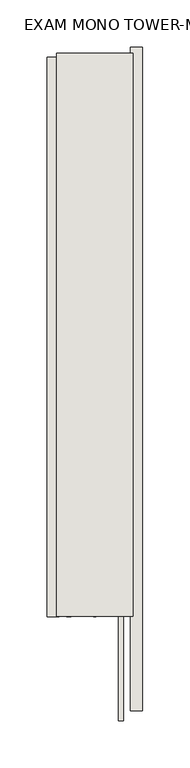
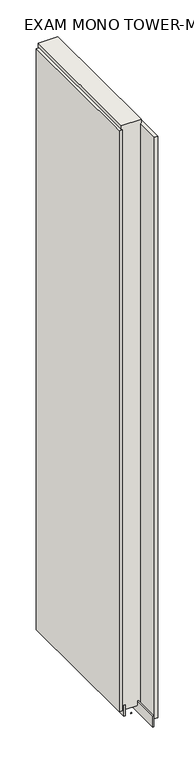
"""IFC4 building model written with IfcOpenShell, lengths in millimetres: wall geometry, EXAM MONO TOWER-MONO ACCENT 574484 : EXAM MONO TOWER-MONO ACCENT 574484."""

from ifc_helpers import new_model, si_unit, frame, origin, place, context, project, spatial, polyline, outline, extrude, source, transform, mapped, element, save


def exam_mono_tower_mono_accent_574484_exam_mono_tower_mono_0b31c38e(model_context):
    return source(origin(), model_context, "Body", "SweptSolid", [
        extrude(outline(polyline([(44096.3701002, -42548.2667702), (44096.3701002, -42545.7267702), (44098.9101002, -42545.7267702), (44098.9101002, -42548.2667702), (44096.3701002, -42548.2667702)])), frame((0.0, 0.0, 4419.6), z_axis=(0.0, 0.0, 1.0), x_axis=(1.0, 0.0, 0.0)), (0.0, 0.0, 1.0), 2.54),
        extrude(outline(polyline([(44148.4401002, -41944.9364808), (44148.4401002, -42648.4364708), (44135.7401002, -42648.4364708), (44135.7401002, -41944.9364808), (44148.4401002, -41944.9364808)])), frame((0.0, 0.0, 4445.0), z_axis=(0.0, 0.0, 1.0), x_axis=(1.0, 0.0, 0.0)), (0.0, 0.0, 1.0), 2545.0498756),
        extrude(outline(polyline([(44046.8401002, -42548.7329618), (44046.8401002, -41955.8330046), (44059.5401002, -41955.8330046), (44059.5401002, -42548.7329618), (44046.8401002, -42548.7329618)])), frame((0.0, 0.0, 4445.0), z_axis=(0.0, 0.0, 1.0), x_axis=(1.0, 0.0, 0.0)), (0.0, 0.0, 1.0), 2545.0498756),
        extrude(outline(polyline([(44122.720746, -42658.8690128), (44122.720746, -41951.3773112), (44127.7995014, -41951.3773112), (44127.7995014, -42658.8690128), (44122.720746, -42658.8690128)])), frame((0.0, 0.0, 4418.6602), z_axis=(0.0, 0.0, 1.0), x_axis=(1.0, 0.0, 0.0)), (0.0, 0.0, 1.0), 47.625),
        extrude(outline(polyline([(44122.720746, -42658.8690128), (44122.720746, -41951.3773112), (44127.7995014, -41951.3773112), (44127.7995014, -42658.8690128), (44122.720746, -42658.8690128)])), frame((0.0, 0.0, 4418.6602), z_axis=(0.0, 0.0, 1.0), x_axis=(1.0, 0.0, 0.0)), (0.0, 0.0, 1.0), 47.625),
        extrude(outline(polyline([(44072.556381, -41951.3773112), (44072.556381, -42548.2773112), (44067.4745014, -42548.2773112), (44067.4745014, -41951.3773112), (44072.556381, -41951.3773112)])), frame((0.0, 0.0, 4418.6602), z_axis=(0.0, 0.0, 1.0), x_axis=(1.0, 0.0, 0.0)), (0.0, 0.0, 1.0), 47.625),
        extrude(outline(polyline([(44072.556381, -41951.3773112), (44072.556381, -42548.2773112), (44067.4745014, -42548.2773112), (44067.4745014, -41951.3773112), (44072.556381, -41951.3773112)])), frame((0.0, 0.0, 4418.6602), z_axis=(0.0, 0.0, 1.0), x_axis=(1.0, 0.0, 0.0)), (0.0, 0.0, 1.0), 47.625),
        extrude(outline(polyline([(44138.2918858, -42548.2773112), (44057.0100316, -42548.2773112), (44057.0100316, -41951.3773112), (44138.2918858, -41951.3773112), (44138.2918858, -42548.2773112)])), frame((0.0, 0.0, 4445.0), z_axis=(0.0, 0.0, 1.0), x_axis=(1.0, 0.0, 0.0)), (0.0, 0.0, 1.0), 2562.4536762),
    ])


if __name__ == "__main__":
    model = new_model("IFC4")
    model_context = context("Model", 3, world=origin())
    ifc_project = project(units=[si_unit("LENGTHUNIT", "METRE", prefix="MILLI")], contexts=[model_context])
    site = spatial("IfcSite", under=ifc_project)
    building = spatial("IfcBuilding", under=site)
    placement = place(None, origin())
    exam_mono_tower_mono_accent_574484_exam_mono_tower_mono_shape = exam_mono_tower_mono_accent_574484_exam_mono_tower_mono_0b31c38e(model_context)
    element("IfcWall", 1, ObjectType="EXAM MONO TOWER-MONO ACCENT 574484 : EXAM MONO TOWER-MONO ACCENT 574484", at=placement, inside=building, context=model_context, shape_type="MappedRepresentation", body=[
        mapped(exam_mono_tower_mono_accent_574484_exam_mono_tower_mono_shape, transform((0.0, 0.0, 0.0), x_axis=(1.0, 0.0, 0.0), y_axis=(0.0, 1.0, 0.0), z_axis=(0.0, 0.0, 1.0))),
    ])
    save(model, "model.ifc")
